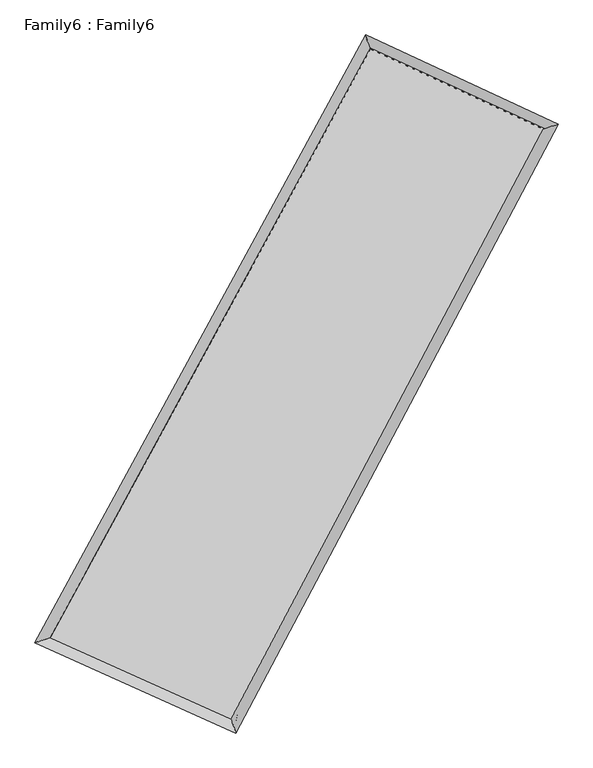
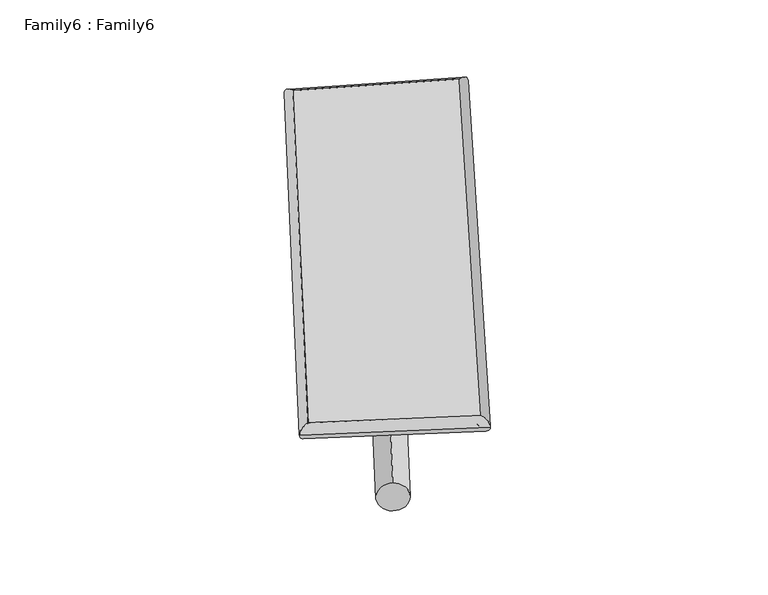
"""IFC4 building model written with IfcOpenShell, lengths in millimetres: plate geometry, Family6 : Family6."""

from ifc_helpers import new_model, si_unit, point, frame, origin, origin_2d, place, context, project, spatial, circle_curve, ellipse_curve, trimmed, segment, composite_curve, outline, extrude, source, transform, mapped, element, save
from ifc_brep_helpers import plane_surface, cylinder_surface, spline_surface, advanced_brep


def family6_family6_cb26103a(model_context):
    return source(origin(), model_context, "Body", "SolidModel", [
        extrude(outline(composite_curve([segment(trimmed(circle_curve(origin_2d(), 76.2), [point((-75.4341514, -10.7763074))], [point((75.4341514, 10.7763074))], False, "CARTESIAN"), True, "CONTINUOUS"), segment(trimmed(circle_curve(origin_2d(), 76.2), [point((75.4341514, 10.7763074))], [point((-75.4341514, -10.7763074))], False, "CARTESIAN"), True, "CONTINUOUS")], self_intersect=False)), frame((9144.0, 9144.0, 0.0), z_axis=(0.6681265443088793, 0.6926267074569686, 0.2717998618601456), x_axis=(-0.6842178041676484, 0.715460044259604, -0.141290203227425)), (0.0, 0.0, 1.0), 5723.7463568),
        extrude(outline(composite_curve([segment(trimmed(circle_curve(origin_2d(), 76.2), [point((-53.8815367, 53.8815368))], [point((53.8815367, -53.8815368))], False, "CARTESIAN"), True, "CONTINUOUS"), segment(trimmed(circle_curve(origin_2d(), 76.2), [point((53.8815367, -53.8815368))], [point((-53.8815367, 53.8815368))], False, "CARTESIAN"), True, "CONTINUOUS")], self_intersect=False)), frame((9144.0, 9144.0, 0.0), z_axis=(-0.6751584432819245, -0.6865342552935334, 0.2698736607631096), x_axis=(0.6388965183172296, -0.3613389132489375, 0.6791505198806806)), (0.0, 0.0, 1.0), 5761.4039952),
        extrude(outline(composite_curve([segment(trimmed(circle_curve(origin_2d(), 76.2), [point((-53.8815367, -53.8815368))], [point((53.8815367, 53.8815368))], False, "CARTESIAN"), True, "CONTINUOUS"), segment(trimmed(circle_curve(origin_2d(), 76.2), [point((53.8815367, 53.8815368))], [point((-53.8815367, -53.8815368))], False, "CARTESIAN"), True, "CONTINUOUS")], self_intersect=False)), frame((9144.0, 9144.0, 0.0), z_axis=(0.19920888091679312, 0.9423829307988172, 0.2687568296860769), x_axis=(-0.8513172013987769, 0.3022574678892317, -0.4288349865714603)), (0.0, 0.0, 1.0), 5546.3353991),
        extrude(outline(composite_curve([segment(trimmed(circle_curve(origin_2d(), 76.2), [point((-75.4341514, 10.7763074))], [point((75.4341514, -10.7763074))], False, "CARTESIAN"), True, "CONTINUOUS"), segment(trimmed(circle_curve(origin_2d(), 76.2), [point((75.4341514, -10.7763074))], [point((-75.4341514, 10.7763074))], False, "CARTESIAN"), True, "CONTINUOUS")], self_intersect=False)), frame((9144.0, 9144.0, 0.0), z_axis=(-0.18842053016650176, -0.9444943773550537, 0.2691246457618917), x_axis=(0.901432917930408, -0.05756952947949468, 0.42907393738955996)), (0.0, 0.0, 1.0), 5542.5140817),
        advanced_brep(
        [(5041.8706887, 5117.1368973, 1550.9046935), (5041.7692625, 5117.0034798, 1559.9644572), (5466.4082062, 5260.0607001, 1558.7976811), (10314.359021, 14172.3814064, 1496.4498161), (10183.399515, 14569.1622108, 1484.7812204), (5466.5096324, 5260.1941175, 1549.7379174), (12758.3950415, 13037.8152845, 1554.9579953), (13177.9787062, 13179.0239023, 1556.4689429), (8031.8231994, 4106.722127, 1492.7400633), (8167.5299172, 3711.5310999, 1490.5142145)],
        [
            (0, 1, ellipse_curve(frame((5254.1394474, 5188.5987987, 1554.8511873), z_axis=(-0.3192180263394108, 0.9476244400154171, 0.010381346032114292), x_axis=(-0.9474622429735094, -0.3193606106811592, 0.018002735485568667)), 224.175116, 152.4)),
            (1, 2, ellipse_curve(frame((5254.1394474, 5188.5987987, 1554.8511873), z_axis=(-0.3192180263394108, 0.9476244400154171, 0.010381346032114292), x_axis=(-0.9474622429735094, -0.3193606106811592, 0.018002735485568667)), 224.175116, 152.4)),
            (2, 3),
            (3, 4, ellipse_curve(frame((10248.879268, 14370.7718086, 1490.6155182), z_axis=(-0.9494655652391144, -0.31368973863173055, -0.010671846247269409), x_axis=(0.31343639297620907, -0.9493910996200898, 0.020351106117855584)), 209.0038078, 152.4)),
            (4, 0),
            (2, 5, ellipse_curve(frame((5254.1394474, 5188.5987987, 1554.8511873), z_axis=(-0.3192180263394108, 0.9476244400154171, 0.010381346032114292), x_axis=(-0.9474622429735094, -0.3193606106811592, 0.018002735485568667)), 224.175116, 152.4)),
            (5, 0, ellipse_curve(frame((5254.1394474, 5188.5987987, 1554.8511873), z_axis=(-0.3192180263394108, 0.9476244400154171, 0.010381346032114292), x_axis=(-0.9474622429735094, -0.3193606106811592, 0.018002735485568667)), 224.175116, 152.4)),
            (4, 3, ellipse_curve(frame((10248.879268, 14370.7718086, 1490.6155182), z_axis=(-0.9494655652391144, -0.31368973863173055, -0.010671846247269409), x_axis=(0.31343639297620907, -0.9493910996200898, 0.020351106117855584)), 209.0038078, 152.4)),
            (3, 6),
            (6, 7, ellipse_curve(frame((12968.1868739, 13108.4195934, 1555.7134691), z_axis=(-0.3189087417323388, 0.9477181167599147, -0.011295380105914849), x_axis=(-0.94753448635784, -0.31907588878242255, -0.019208705325744032)), 221.3859247, 152.4)),
            (7, 4),
            (7, 6, ellipse_curve(frame((12968.1868739, 13108.4195934, 1555.7134691), z_axis=(-0.3189087417323388, 0.9477181167599147, -0.011295380105914849), x_axis=(-0.94753448635784, -0.31907588878242255, -0.019208705325744032)), 221.3859247, 152.4)),
            (6, 8),
            (8, 9, ellipse_curve(frame((8099.6765583, 3909.1266134, 1491.6271389), z_axis=(0.9457287735454348, 0.3248132114884304, -0.009667705561288632), x_axis=(-0.3245912796847374, 0.945657281987166, 0.01930818938353187)), 208.9421237, 152.4)),
            (9, 7),
            (9, 8, ellipse_curve(frame((8099.6765583, 3909.1266134, 1491.6271389), z_axis=(0.9457287735454348, 0.3248132114884304, -0.009667705561288632), x_axis=(-0.3245912796847374, 0.945657281987166, 0.01930818938353187)), 208.9421237, 152.4)),
            (8, 5),
            (1, 9),
        ],
        [
            cylinder_surface(frame((5254.1394474, 5188.5987987, 1554.8511873), z_axis=(-0.477831321846963, -0.8784301133474407, 0.006145227936125791), x_axis=(-0.8780776612386487, 0.4774121311674957, -0.032515809197602025)), 152.4),
            cylinder_surface(frame((10248.879268, 14370.7718086, 1490.6155182), z_axis=(-0.906818590877223, 0.42096173837850626, -0.021708479006917518), x_axis=(0.42134613770633644, 0.9067230264607319, -0.017910486477034204)), 152.4),
            cylinder_surface(frame((12968.1868739, 13108.4195934, 1555.7134691), z_axis=(0.46775100061264, 0.8838388372203563, 0.006157210963004772), x_axis=(0.8838589616843464, -0.46775100061263997, -0.00152881527444151)), 152.4),
            cylinder_surface(frame((8099.6765583, 3909.1266134, 1491.6271389), z_axis=(0.911856543601464, -0.41000873966509604, -0.020260239125712644), x_axis=(-0.40984868506556177, -0.9120785363950644, 0.011696101806464968)), 152.4),
        ],
        [
            (0, [[1, 2, 3, 4, 5]]),
            (0, [[6, 7, -5, 8, -3]]),
            (1, [[-4, 9, 10, 11]]),
            (1, [[-8, -11, 12, -9]]),
            (2, [[-10, 13, 14, 15]]),
            (2, [[-12, -15, 16, -13]]),
            (3, [[-14, 17, -6, -2, 18]]),
            (3, [[-16, -18, -1, -7, -17]]),
        ],
    ),
        extrude(outline(composite_curve([segment(trimmed(circle_curve(origin_2d(), 304.8), [point((0.0, -304.8))], [point((1e-07, 304.7999999))], False, "CARTESIAN"), True, "CONTINUOUS"), segment(trimmed(circle_curve(origin_2d(), 304.8), [point((1e-07, 304.7999999))], [point((0.0, -304.8))], False, "CARTESIAN"), True, "CONTINUOUS")], self_intersect=False)), frame((6641.3414545, 4544.9376208, -0.0580358), z_axis=(0.47798036056573134, 0.8783705224963972, 1.1084208106574566e-05), x_axis=(-0.8783705225618048, 0.47798036056573134, 2.820547769417136e-06)), (0.0, 0.0, 1.0), 10471.8049193),
        advanced_brep(
        [(5254.1394474, 5188.5987987, 1554.8511873), (8099.6765583, 3909.1266134, 1491.6271389), (8099.6916499, 3909.1216379, 1644.027138), (5254.154539, 5188.5938232, 1707.2511865), (12968.1868739, 13108.4195934, 1555.7134691), (12968.2019654, 13108.4146179, 1708.1134683), (10248.879268, 14370.7718086, 1490.6155182), (10248.8943596, 14370.7668331, 1643.0155174)],
        [
            (0, 1),
            (1, 2),
            (2, 3),
            (3, 0),
            (1, 4),
            (4, 5),
            (5, 2),
            (4, 6),
            (6, 7),
            (7, 5),
            (6, 0),
            (3, 7),
        ],
        [
            plane_surface(frame((6676.9080029, 4548.862706, 1523.2391631), z_axis=(-0.4100927149608559, -0.9120438394170862, 1.083394755939035e-05), x_axis=(0.911856543601464, -0.410008739665096, -0.020260239125712676))),
            plane_surface(frame((10533.9317161, 8508.7731034, 1523.670304), z_axis=(0.8838558828111278, -0.4677593054693019, -0.00010279610165636003), x_axis=(0.46775100061263997, 0.8838388372203562, 0.006157210963004749))),
            plane_surface(frame((11608.5330709, 13739.595701, 1523.1644937), z_axis=(0.4210612022144282, 0.9070322286687084, -1.208373219722253e-05), x_axis=(-0.9068185908772229, 0.4209617383785065, -0.021708479006917542))),
            plane_surface(frame((7751.5093577, 9779.6853036, 1522.7333528), z_axis=(-0.878446394381993, 0.4778408957724931, 0.00010258955953347743), x_axis=(-0.4778313218469631, -0.8784301133474405, 0.00614522793612578))),
            spline_surface(1, 1, [[(8099.6916499, 3909.1216379, 1644.027138), (5254.154539, 5188.5938232, 1707.2511865)], [(12968.2019654, 13108.4146179, 1708.1134683), (10248.8943596, 14370.7668331, 1643.0155174)]], [2, 2], [2, 2], [0.0, 1.0], [0.0, 1.0]),
            spline_surface(1, 1, [[(10248.879268, 14370.7718086, 1490.6155182), (5254.1394474, 5188.5987987, 1554.8511873)], [(12968.1868739, 13108.4195934, 1555.7134691), (8099.6765583, 3909.1266134, 1491.6271389)]], [2, 2], [2, 2], [0.0, 1.0], [0.0, 1.0]),
        ],
        [
            (0, [[1, 2, 3, 4]]),
            (1, [[5, 6, 7, -2]]),
            (2, [[8, 9, 10, -6]]),
            (3, [[11, -4, 12, -9]]),
            (4, [[-3, -7, -10, -12]]),
            (5, [[-11, -8, -5, -1]]),
        ],
    ),
    ])


if __name__ == "__main__":
    model = new_model("IFC4")
    model_context = context("Model", 3, world=origin())
    ifc_project = project(units=[si_unit("LENGTHUNIT", "METRE", prefix="MILLI")], contexts=[model_context])
    site = spatial("IfcSite", under=ifc_project)
    building = spatial("IfcBuilding", under=site)
    placement = place(None, origin())
    family6_family6_shape = family6_family6_cb26103a(model_context)
    element("IfcPlate", 1, ObjectType="Family6 : Family6", at=placement, inside=building, context=model_context, shape_type="MappedRepresentation", body=[
        mapped(family6_family6_shape, transform((0.0, 0.0, 0.0), x_axis=(1.0, 0.0, 0.0), y_axis=(0.0, 1.0, 0.0), z_axis=(0.0, 0.0, 1.0))),
    ])
    save(model, "model.ifc")
